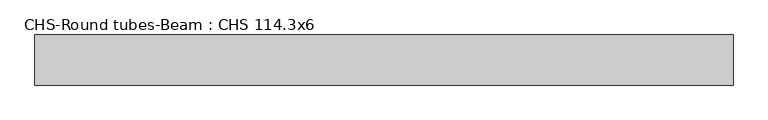
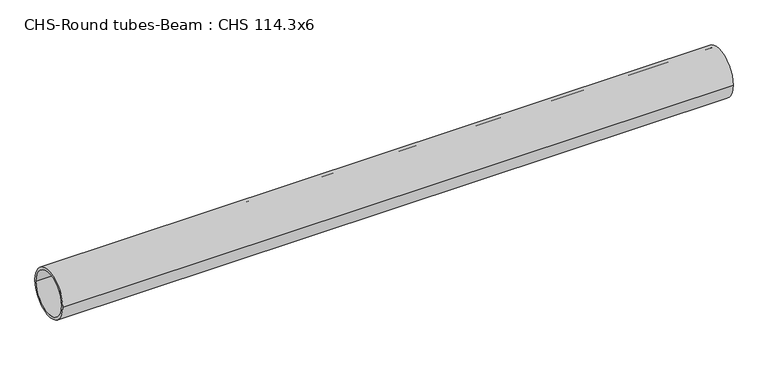
"""IFC4 building model written with IfcOpenShell, lengths in millimetres: beam geometry, CHS-Round tubes-Beam : CHS 114.3x6."""

from ifc_helpers import new_model, si_unit, point, frame, origin, origin_2d, place, context, project, spatial, circle_curve, trimmed, segment, composite_curve, outline, extrude, source, transform, mapped, element, save


def chs_round_tubes_beam_chs_114_3x6_0446bf4b(model_context):
    return source(origin(), model_context, "Body", "SweptSolid", [
        extrude(outline(composite_curve([segment(trimmed(circle_curve(origin_2d(), 57.15), [point((57.15, 0.0))], [point((-57.15, 0.0))], False, "CARTESIAN"), True, "CONTINUOUS"), segment(trimmed(circle_curve(origin_2d(), 57.15), [point((-57.15, 0.0))], [point((57.15, 0.0))], False, "CARTESIAN"), True, "CONTINUOUS")], self_intersect=False), holes=[composite_curve([segment(trimmed(circle_curve(origin_2d(), 51.15), [point((51.15, 0.0))], [point((-51.15, 0.0))], True, "CARTESIAN"), True, "CONTINUOUS"), segment(trimmed(circle_curve(origin_2d(), 51.15), [point((-51.15, 0.0))], [point((51.15, 0.0))], True, "CARTESIAN"), True, "CONTINUOUS")], self_intersect=False)]), frame((-789.7902399, 0.0, 0.0), z_axis=(1.0, 0.0, 0.0), x_axis=(0.0, 1.0, 0.0)), (0.0, 0.0, 1.0), 1592.9535607),
    ])


if __name__ == "__main__":
    model = new_model("IFC4")
    model_context = context("Model", 3, world=origin())
    ifc_project = project(units=[si_unit("LENGTHUNIT", "METRE", prefix="MILLI")], contexts=[model_context])
    site = spatial("IfcSite", under=ifc_project)
    building = spatial("IfcBuilding", under=site)
    placement = place(None, origin())
    chs_round_tubes_beam_chs_114_3x6_shape = chs_round_tubes_beam_chs_114_3x6_0446bf4b(model_context)
    element("IfcBeam", 1, ObjectType="CHS-Round tubes-Beam : CHS 114.3x6", at=placement, inside=building, context=model_context, shape_type="MappedRepresentation", body=[
        mapped(chs_round_tubes_beam_chs_114_3x6_shape, transform((0.0, 0.0, 0.0), x_axis=(1.0, 0.0, 0.0), y_axis=(0.0, 1.0, 0.0), z_axis=(0.0, 0.0, 1.0))),
    ])
    save(model, "model.ifc")
